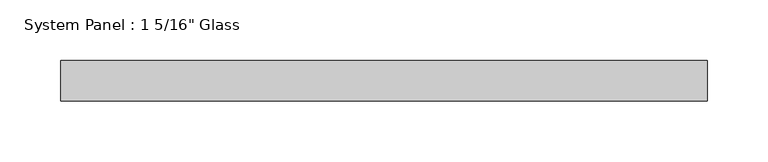
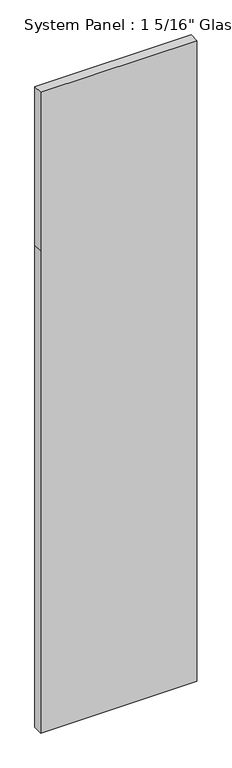
"""IFC4 building model written with IfcOpenShell, lengths in millimetres: plate geometry."""

from ifc_helpers import new_model, si_unit, frame, origin, place, context, project, spatial, polyline, outline, extrude, source, transform, mapped, element, save


def plate_cba8adf3(model_context):
    return source(origin(), model_context, "Body", "SweptSolid", [
        extrude(outline(polyline([(0.0, -266.7), (0.0, 266.7), (1739.9, 266.7), (2311.4, 266.7), (2311.4, -266.7), (1739.9, -266.7), (0.0, -266.7)])), frame((0.0, -16.66875, 0.0), z_axis=(0.0, 1.0, 0.0), x_axis=(0.0, 0.0, 1.0)), (0.0, 0.0, 1.0), 33.3375),
    ])


if __name__ == "__main__":
    model = new_model("IFC4")
    model_context = context("Model", 3, world=origin())
    ifc_project = project(units=[si_unit("LENGTHUNIT", "METRE", prefix="MILLI")], contexts=[model_context])
    site = spatial("IfcSite", under=ifc_project)
    building = spatial("IfcBuilding", under=site)
    placement = place(None, origin())
    plate_shape = plate_cba8adf3(model_context)
    element("IfcPlate", 1, ObjectType="System Panel : 1 5/16\" Glass", at=placement, inside=building, context=model_context, shape_type="MappedRepresentation", body=[
        mapped(plate_shape, transform((0.0, 0.0, 0.0), x_axis=(1.0, 0.0, 0.0), y_axis=(0.0, 1.0, 0.0), z_axis=(0.0, 0.0, 1.0))),
    ])
    save(model, "model.ifc")
